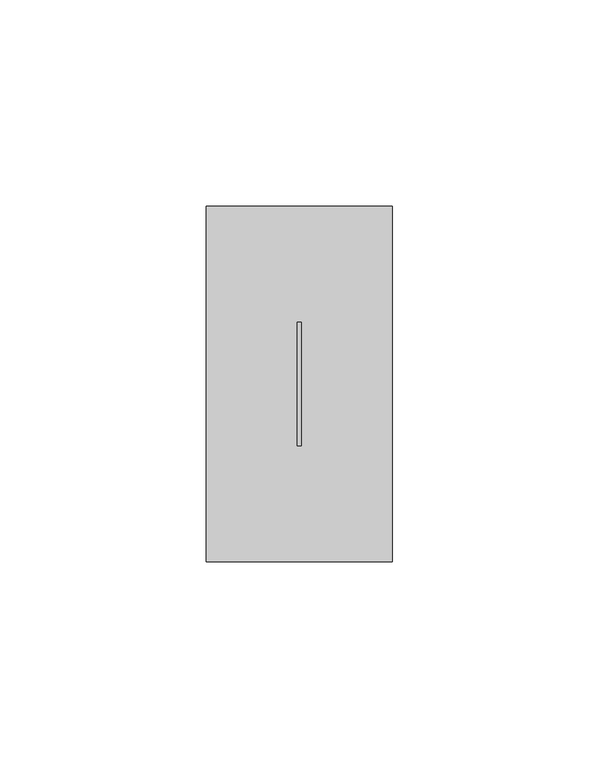
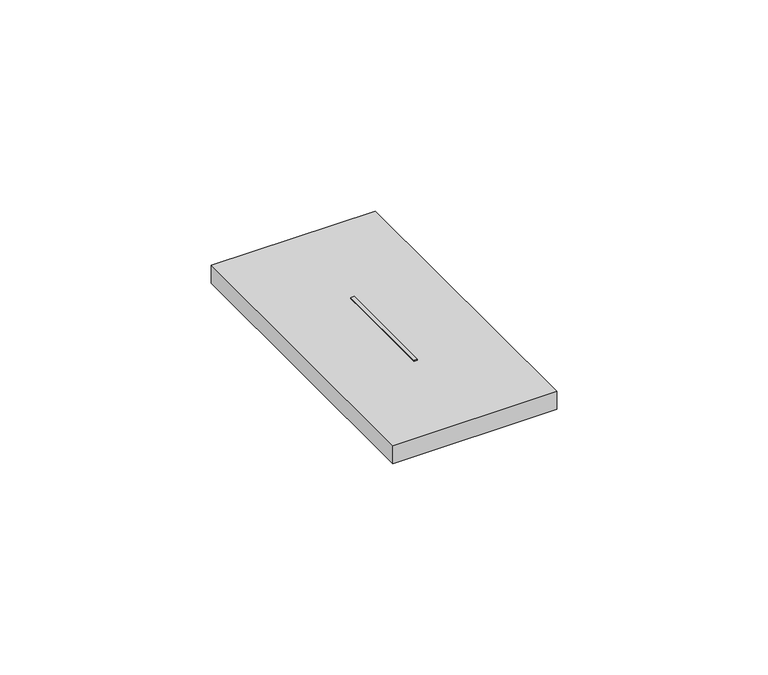
"""IFC4 building model written with IfcOpenShell, lengths in millimetres: proxy geometry."""

from ifc_helpers import new_model, si_unit, frame, origin, place, context, project, spatial, polyline, outline, extrude, source, transform, mapped, element, save


def electrical_fixtures_66b2e545(model_context):
    return source(origin(), model_context, "Body", "SweptSolid", [
        extrude(outline(polyline([(22.0, 58.0), (23.0, 58.0), (23.0, 28.0), (22.0, 28.0), (22.0, 58.0)])), frame((0.0, 0.0, 5.5), z_axis=(0.0, 0.0, 1.0), x_axis=(1.0, 0.0, 0.0)), (0.0, 0.0, 1.0), 5.2),
        extrude(outline(polyline([(0.0, 0.0), (0.0, 86.0), (45.0, 86.0), (45.0, 0.0), (0.0, 0.0)]), holes=[polyline([(22.0, 58.0), (22.0, 28.0), (23.0, 28.0), (23.0, 58.0), (22.0, 58.0)])]), frame((0.0, 0.0, 5.5), z_axis=(0.0, 0.0, 1.0), x_axis=(1.0, 0.0, 0.0)), (0.0, 0.0, 1.0), 5.2),
    ])


if __name__ == "__main__":
    model = new_model("IFC4")
    model_context = context("Model", 3, world=origin())
    ifc_project = project(units=[si_unit("LENGTHUNIT", "METRE", prefix="MILLI")], contexts=[model_context])
    site = spatial("IfcSite", under=ifc_project)
    building = spatial("IfcBuilding", under=site)
    placement = place(None, origin())
    electrical_fixtures_shape = electrical_fixtures_66b2e545(model_context)
    element("IfcBuildingElementProxy", 1, Name="Electrical Fixtures", at=placement, inside=building, context=model_context, shape_type="MappedRepresentation", body=[
        mapped(electrical_fixtures_shape, transform((0.0, 0.0, 0.0), x_axis=(1.0, 0.0, 0.0), y_axis=(0.0, 1.0, 0.0), z_axis=(0.0, 0.0, 1.0))),
    ])
    save(model, "model.ifc")
